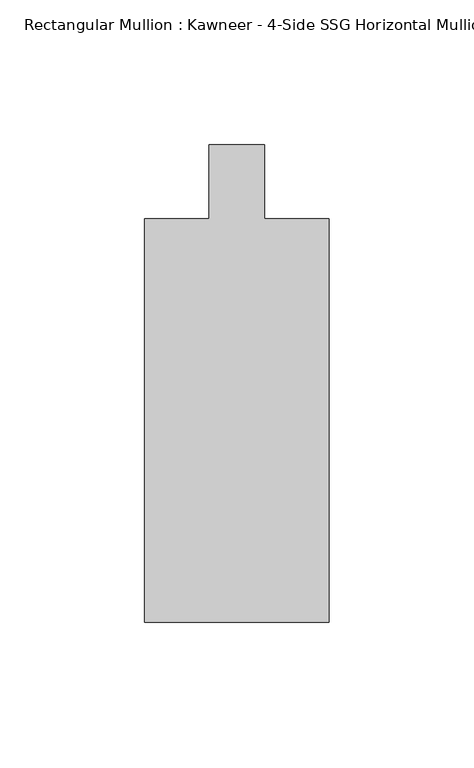
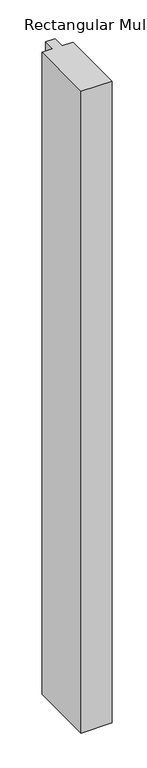
"""IFC4 building model written with IfcOpenShell, lengths in millimetres: member geometry."""

from ifc_helpers import new_model, si_unit, frame, origin, place, context, project, spatial, polyline, outline, extrude, source, transform, mapped, element, save


def member_2f2862d6(model_context):
    return source(origin(), model_context, "Body", "SweptSolid", [
        extrude(outline(polyline([(-31.75, -151.892), (-31.75, -12.7), (-9.5251132, -12.7), (-9.5251132, 12.7), (9.5251132, 12.7), (9.5251132, -12.7), (31.75, -12.7), (31.75, -151.892), (-31.75, -151.892)])), frame((0.0, 0.0, -1386.5451137), z_axis=(0.0, 0.0, 1.0), x_axis=(1.0, 0.0, 0.0)), (0.0, 0.0, 1.0), 1386.5451137),
    ])


if __name__ == "__main__":
    model = new_model("IFC4")
    model_context = context("Model", 3, world=origin())
    ifc_project = project(units=[si_unit("LENGTHUNIT", "METRE", prefix="MILLI")], contexts=[model_context])
    site = spatial("IfcSite", under=ifc_project)
    building = spatial("IfcBuilding", under=site)
    placement = place(None, origin())
    member_shape = member_2f2862d6(model_context)
    element("IfcMember", 1, ObjectType="Rectangular Mullion : Kawneer - 4-Side SSG Horizontal Mullion - 6 1/2\"", at=placement, inside=building, context=model_context, shape_type="MappedRepresentation", body=[
        mapped(member_shape, transform((0.0, 0.0, 0.0), x_axis=(1.0, 0.0, 0.0), y_axis=(0.0, 1.0, 0.0), z_axis=(0.0, 0.0, 1.0))),
    ])
    save(model, "model.ifc")
